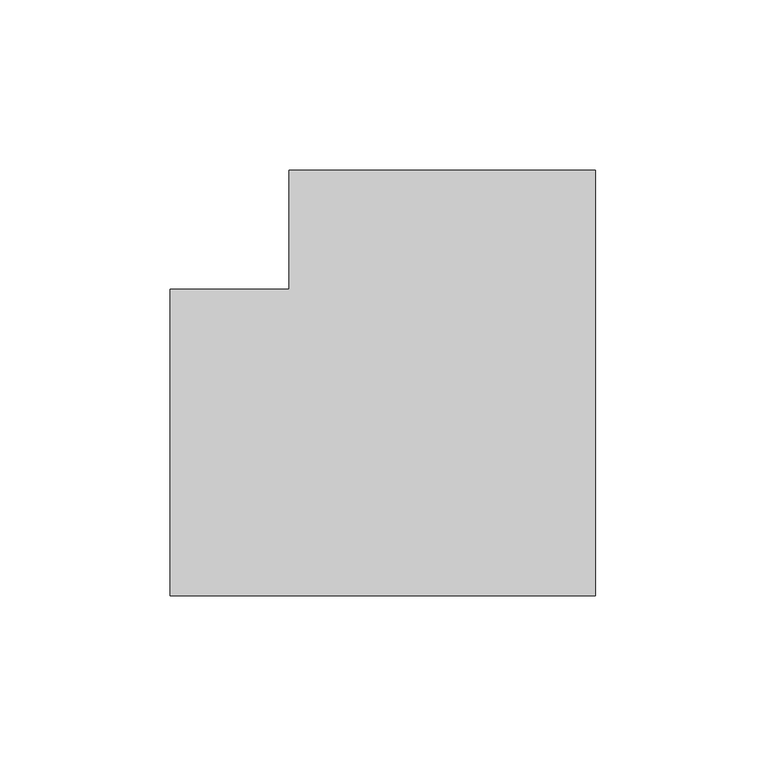
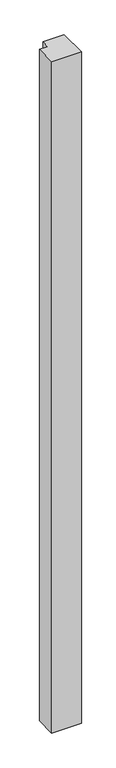
"""IFC4 building model written with IfcOpenShell, lengths in millimetres: member geometry."""

from ifc_helpers import new_model, si_unit, frame, origin, place, context, project, spatial, polyline, outline, extrude, source, transform, mapped, element, save


def member_ba6e9fc4(model_context):
    return source(origin(), model_context, "Body", "SweptSolid", [
        extrude(outline(polyline([(45.0, 80.0), (45.0, -45.0), (-80.0, -45.0), (-80.0, 45.0), (-45.0, 45.0), (-45.0, 80.0), (45.0, 80.0)])), frame((0.0, 0.0, -3000.0), z_axis=(0.0, 0.0, 1.0), x_axis=(1.0, 0.0, 0.0)), (0.0, 0.0, 1.0), 3000.0),
    ])


if __name__ == "__main__":
    model = new_model("IFC4")
    model_context = context("Model", 3, world=origin())
    ifc_project = project(units=[si_unit("LENGTHUNIT", "METRE", prefix="MILLI")], contexts=[model_context])
    site = spatial("IfcSite", under=ifc_project)
    building = spatial("IfcBuilding", under=site)
    placement = place(None, origin())
    member_shape = member_ba6e9fc4(model_context)
    element("IfcMember", 1, at=placement, inside=building, context=model_context, shape_type="MappedRepresentation", body=[
        mapped(member_shape, transform((0.0, 0.0, 0.0), x_axis=(1.0, 0.0, 0.0), y_axis=(0.0, 1.0, 0.0), z_axis=(0.0, 0.0, 1.0))),
    ])
    save(model, "model.ifc")
